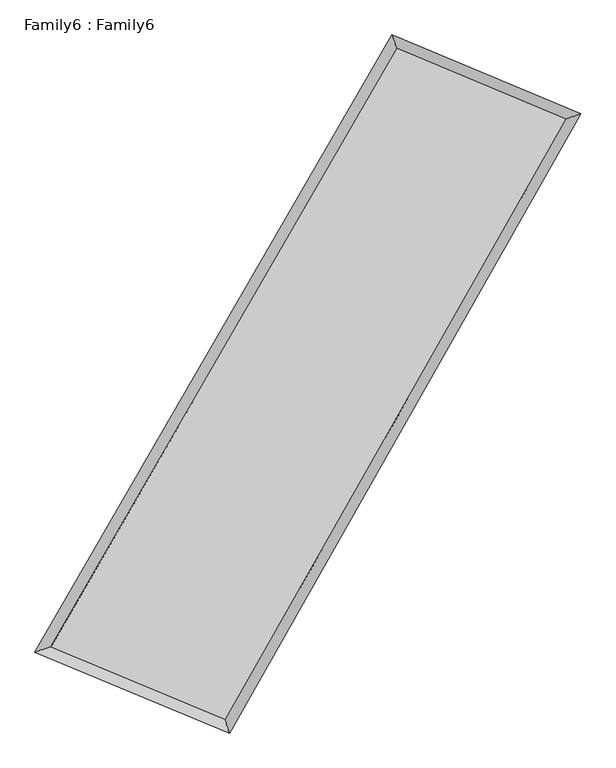
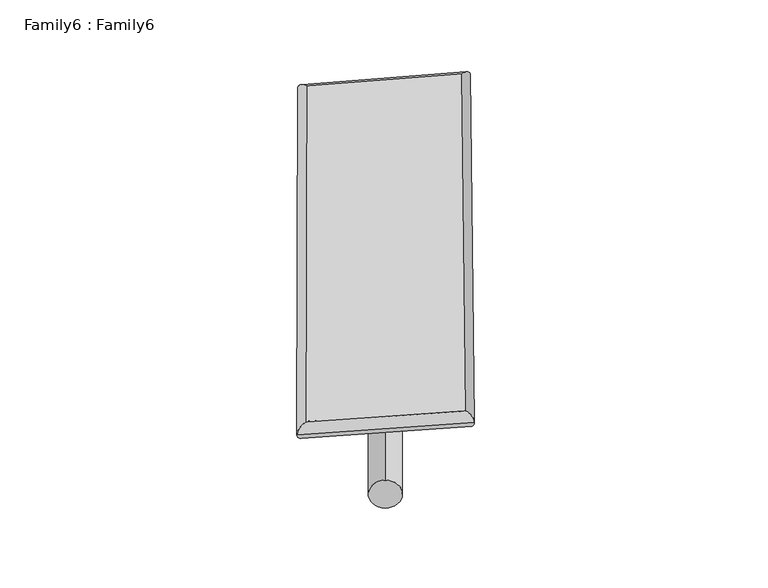
"""IFC4 building model written with IfcOpenShell, lengths in millimetres: plate geometry, Family6 : Family6."""

import ifcopenshell
import ifcopenshell.guid

model = None  # the IFC model being written
_history = None  # IfcOwnerHistory: only IFC2X3 demands one
_inside = {}  # id of a spatial element -> (the spatial element, [elements in it])
_under = {}  # id of a project, library or spatial element -> (it, [spatial elements below it])
_declared = {}  # id of a project -> (the project, [libraries it declares])
_typed = {}  # id of a type object -> (the type object, [elements of that type])
_made_of = {}  # id of a material, layer set ... -> (it, [elements and type objects made of it])


def new_model(schema):
    """Start an empty IFC model of exactly this schema.

    Asked for "IFC4X3", IfcOpenShell would pick the latest addendum, in which some entities
    have other attributes; the version numbers below select the first issue.
    IFC2X3 requires an IfcOwnerHistory on every rooted entity: one is made here for all.
    """
    global model, _history
    if schema == "IFC4X3":
        model = ifcopenshell.file(schema_version=(4, 3, 0, 0))
    else:
        model = ifcopenshell.file(schema=schema)
    _inside.clear()
    _under.clear()
    _declared.clear()
    _typed.clear()
    _made_of.clear()
    _history = None
    if model.schema == "IFC2X3":
        org = make("IfcOrganization", Name="unknown")
        user = make(
            "IfcPersonAndOrganization",
            ThePerson=make("IfcPerson", FamilyName="unknown"),
            TheOrganization=org,
        )
        app = make(
            "IfcApplication",
            ApplicationDeveloper=org,
            Version="unknown",
            ApplicationFullName="unknown",
            ApplicationIdentifier="unknown",
        )
        _history = make(
            "IfcOwnerHistory",
            OwningUser=user,
            OwningApplication=app,
            ChangeAction="ADDED",
            CreationDate=0,
        )
    return model


def make(cls, **values):
    """One entity of the class cls with the attributes given. An attribute that is None is left unset."""
    return model.create_entity(
        cls, **{name: value for name, value in values.items() if value is not None}
    )


def rooted(cls, **values):
    """An entity with a GlobalId (a new one), such as an element, a storey or a relation."""
    return make(cls, GlobalId=ifcopenshell.guid.new(), OwnerHistory=_history, **values)


def si_unit(unit_type, name, prefix=None):
    """IfcSIUnit, for example si_unit("LENGTHUNIT", "METRE", prefix="MILLI")."""
    return make("IfcSIUnit", UnitType=unit_type, Prefix=prefix, Name=name)


def assignment(units):
    """IfcUnitAssignment: the units of a project."""
    return None if units is None else make("IfcUnitAssignment", Units=units)


def point(xyz):
    """IfcCartesianPoint."""
    return None if xyz is None else make("IfcCartesianPoint", Coordinates=xyz)


def direction(xyz):
    """IfcDirection."""
    return None if xyz is None else make("IfcDirection", DirectionRatios=xyz)


def frame(location, z_axis=None, x_axis=None):
    """IfcAxis2Placement3D, a coordinate frame: its origin and axes. An axis left out is left unset."""
    return make(
        "IfcAxis2Placement3D",
        Location=point(location),
        Axis=direction(z_axis),
        RefDirection=direction(x_axis),
    )


def frame_2d(location, x_axis=None):
    """IfcAxis2Placement2D, a coordinate frame in the plane: its origin and x axis."""
    return make(
        "IfcAxis2Placement2D", Location=point(location), RefDirection=direction(x_axis)
    )


def origin():
    """The frame at (0, 0, 0) with its axes left unset."""
    return frame((0.0, 0.0, 0.0))


def origin_2d():
    """The frame at (0, 0) in the plane with its x axis left unset."""
    return frame_2d((0.0, 0.0))


def place(relative_to, where):
    """IfcLocalPlacement: puts the frame where relative to a parent placement (None: the world)."""
    return make(
        "IfcLocalPlacement", PlacementRelTo=relative_to, RelativePlacement=where
    )


def context(
    kind, dimensions, precision=None, world=None, true_north=None, identifier=None
):
    """IfcGeometricRepresentationContext, for example the 3D "Model" context."""
    return make(
        "IfcGeometricRepresentationContext",
        ContextIdentifier=identifier,
        ContextType=kind,
        CoordinateSpaceDimension=dimensions,
        Precision=precision,
        WorldCoordinateSystem=world,
        TrueNorth=true_north,
    )


def project(units=None, contexts=None):
    """IfcProject with its units and contexts."""
    return rooted(
        "IfcProject",
        Name="project",
        RepresentationContexts=contexts,
        UnitsInContext=assignment(units),
    )


def spatial(cls, under=None, at=None, **own):
    """A site, building, storey or space (cls), placed at a placement, below another one or the project."""
    s = rooted(cls, ObjectPlacement=at, **own)
    if under is not None:
        _under.setdefault(under.id(), (under, []))[1].append(s)
    return s


def circle_curve(where, radius):
    """IfcCircle in the frame where."""
    return make("IfcCircle", Position=where, Radius=radius)


def ellipse_curve(where, semi_axis1, semi_axis2):
    """IfcEllipse in the frame where."""
    return make(
        "IfcEllipse", Position=where, SemiAxis1=semi_axis1, SemiAxis2=semi_axis2
    )


def trimmed(basis, trim1, trim2, sense, master):
    """IfcTrimmedCurve: the piece of a basis curve between two trims."""
    return make(
        "IfcTrimmedCurve",
        BasisCurve=basis,
        Trim1=trim1,
        Trim2=trim2,
        SenseAgreement=sense,
        MasterRepresentation=master,
    )


def segment(curve, same_sense, transition):
    """IfcCompositeCurveSegment."""
    return make(
        "IfcCompositeCurveSegment",
        Transition=transition,
        SameSense=same_sense,
        ParentCurve=curve,
    )


def composite_curve(segments, self_intersect=None):
    """IfcCompositeCurve: segments joined end to end."""
    return make("IfcCompositeCurve", Segments=segments, SelfIntersect=self_intersect)


def outline(outer, holes=None, kind="AREA"):
    """IfcArbitraryClosedProfileDef: a profile drawn as a closed curve; with holes, ...WithVoids."""
    if holes is None:
        return make("IfcArbitraryClosedProfileDef", ProfileType=kind, OuterCurve=outer)
    return make(
        "IfcArbitraryProfileDefWithVoids",
        ProfileType=kind,
        OuterCurve=outer,
        InnerCurves=holes,
    )


def extrude(swept, where, along, depth):
    """IfcExtrudedAreaSolid: the profile swept, set in the frame where, extruded along a direction by depth."""
    return make(
        "IfcExtrudedAreaSolid",
        SweptArea=swept,
        Position=where,
        ExtrudedDirection=direction(along),
        Depth=depth,
    )


def shape(context_of_items, identifier, shape_type, items):
    """IfcShapeRepresentation: the items that make up one representation, for example the "Body"."""
    return make(
        "IfcShapeRepresentation",
        ContextOfItems=context_of_items,
        RepresentationIdentifier=identifier,
        RepresentationType=shape_type,
        Items=items,
    )


def source(mapping_origin, context_of_items, identifier, shape_type, items):
    """IfcRepresentationMap: a shape defined once, which mapped items show again and again."""
    return make(
        "IfcRepresentationMap",
        MappingOrigin=mapping_origin,
        MappedRepresentation=shape(context_of_items, identifier, shape_type, items),
    )


def transform(
    local_origin,
    x_axis=None,
    y_axis=None,
    z_axis=None,
    scale=None,
    scale2=None,
    scale3=None,
    uniform=True,
):
    """IfcCartesianTransformationOperator3D, or its non-uniform kind. x_axis, y_axis, z_axis: its Axis1, 2, 3."""
    if uniform:
        return make(
            "IfcCartesianTransformationOperator3D",
            Axis1=direction(x_axis),
            Axis2=direction(y_axis),
            LocalOrigin=point(local_origin),
            Scale=scale,
            Axis3=direction(z_axis),
        )
    return make(
        "IfcCartesianTransformationOperator3DnonUniform",
        Axis1=direction(x_axis),
        Axis2=direction(y_axis),
        LocalOrigin=point(local_origin),
        Scale=scale,
        Axis3=direction(z_axis),
        Scale2=scale2,
        Scale3=scale3,
    )


def mapped(mapping_source, mapping_target):
    """IfcMappedItem: shows the shape of a source again, moved by a transform."""
    return make(
        "IfcMappedItem", MappingSource=mapping_source, MappingTarget=mapping_target
    )


def made_of(thing, what):
    """Note that an element or type object is made of a material, layer set ...; save() writes the relation."""
    if what is not None:
        _made_of.setdefault(what.id(), (what, []))[1].append(thing)
    return thing


def element(
    cls,
    number,
    at=None,
    inside=None,
    cuts=None,
    type_object=None,
    material=None,
    context=None,
    identifier="Body",
    shape_type=None,
    held_by="IfcProductDefinitionShape",
    body=None,
    shapes=None,
    **own,
):
    """One element of the class cls, such as IfcWall. Its Tag is "e" and its number.

    at: its placement. inside: the storey or other place that contains it. cuts: it is an
    opening in that element (IfcRelVoidsElement). A single representation is given by context,
    identifier, shape_type and body (its items); several are given by shapes. held_by: the class
    of the entity that holds the representations. save() writes the other relations.
    """
    e = rooted(cls, Tag="e%d" % number, ObjectPlacement=at, **own)
    if body is not None:
        shapes = [shape(context, identifier, shape_type, body)]
    if shapes is not None:
        e.Representation = make(held_by, Representations=shapes)
    if inside is not None:
        _inside.setdefault(inside.id(), (inside, []))[1].append(e)
    if cuts is not None:
        rooted(
            "IfcRelVoidsElement", RelatingBuildingElement=cuts, RelatedOpeningElement=e
        )
    if type_object is not None:
        _typed.setdefault(type_object.id(), (type_object, []))[1].append(e)
    return made_of(e, material)


def aggregate(whole, parts):
    """IfcRelAggregates: a whole, such as a stair, and the parts it consists of."""
    return rooted("IfcRelAggregates", RelatingObject=whole, RelatedObjects=parts)


def save(model, path):
    """Write the relations noted so far, then the file.

    IfcRelAggregates (storeys below a building ...), IfcRelContainedInSpatialStructure (elements
    in a storey), IfcRelDefinesByType, IfcRelAssociatesMaterial and IfcRelDeclares: one each for
    every whole, place, type object, material and project.
    """
    for whole, parts in _under.values():
        aggregate(whole, parts)
    for where, things in _inside.values():
        rooted(
            "IfcRelContainedInSpatialStructure",
            RelatedElements=things,
            RelatingStructure=where,
        )
    for kind, things in _typed.values():
        rooted("IfcRelDefinesByType", RelatedObjects=things, RelatingType=kind)
    for what, things in _made_of.values():
        rooted("IfcRelAssociatesMaterial", RelatedObjects=things, RelatingMaterial=what)
    for by, libraries in _declared.values():
        rooted("IfcRelDeclares", RelatingContext=by, RelatedDefinitions=libraries)
    model.write(path)


def plane_surface(at):
    """IfcPlane: the flat surface through the origin of the frame at, square to its z axis."""
    return make("IfcPlane", Position=at)


def cylinder_surface(at, radius):
    """IfcCylindricalSurface: all points at the distance radius from the z axis of the frame at."""
    return make("IfcCylindricalSurface", Position=at, Radius=radius)


def spline_surface(u_degree, v_degree, points, u_multiplicities, v_multiplicities, u_knots, v_knots, weights=None):
    """IfcBSplineSurfaceWithKnots; with weights, IfcRationalBSplineSurfaceWithKnots. points: one row for each step in u."""
    own = dict(
        UDegree=u_degree,
        VDegree=v_degree,
        ControlPointsList=[[point(p) for p in row] for row in points],
        SurfaceForm="UNSPECIFIED",
        UClosed=False,
        VClosed=False,
        SelfIntersect=False,
        UMultiplicities=u_multiplicities,
        VMultiplicities=v_multiplicities,
        UKnots=u_knots,
        VKnots=v_knots,
        KnotSpec="UNSPECIFIED",
    )
    if weights is None:
        return make("IfcBSplineSurfaceWithKnots", **own)
    return make("IfcRationalBSplineSurfaceWithKnots", WeightsData=weights, **own)


def advanced_brep(points, edges, surfaces, faces):
    """IfcAdvancedBrep: a solid bounded by faces that lie on surfaces and meet in shared edges.

    An edge is (start, end): straight between two places in points (the first is 0);
    or (start, end, curve); or (start, end, curve, False) where it runs against its curve.
    A face is (place in surfaces, loops), or (place, loops, False) where it looks against
    its surface's normal. A loop lists edges by number (the first is 1), with a minus sign
    where the edge is run from its end to its start. The first loop is the outer one.
    """
    corners = [point(p) for p in points]
    vertices = [make("IfcVertexPoint", VertexGeometry=c) for c in corners]
    made = []
    for start, end, *more in edges:
        made.append(
            make(
                "IfcEdgeCurve",
                EdgeStart=vertices[start],
                EdgeEnd=vertices[end],
                EdgeGeometry=more[0] if more else make("IfcPolyline", Points=[corners[start], corners[end]]),
                SameSense=more[1] if len(more) > 1 else True,
            )
        )
    hull = []
    for where, loops, *sense in faces:
        bounds = []
        for j, loop in enumerate(loops):
            ring = [make("IfcOrientedEdge", EdgeElement=made[abs(k) - 1], Orientation=k > 0) for k in loop]
            bounds.append(
                make(
                    "IfcFaceOuterBound" if j == 0 else "IfcFaceBound",
                    Bound=make("IfcEdgeLoop", EdgeList=ring),
                    Orientation=True,
                )
            )
        hull.append(make("IfcAdvancedFace", Bounds=bounds, FaceSurface=surfaces[where], SameSense=sense[0] if sense else True))
    return make("IfcAdvancedBrep", Outer=make("IfcClosedShell", CfsFaces=hull))


def family6_family6_16601273(model_context):
    return source(origin(), model_context, "Body", "SolidModel", [
        extrude(outline(composite_curve([segment(trimmed(circle_curve(origin_2d(), 76.2), [point((-75.4341514, -10.7763074))], [point((75.4341514, 10.7763074))], False, "CARTESIAN"), True, "CONTINUOUS"), segment(trimmed(circle_curve(origin_2d(), 76.2), [point((75.4341514, 10.7763074))], [point((-75.4341514, -10.7763074))], False, "CARTESIAN"), True, "CONTINUOUS")], self_intersect=False)), frame((9144.0, 9144.0, 0.0), z_axis=(0.6725154800045557, 0.6915821463938863, 0.26350913445925783), x_axis=(-0.6825459012953008, 0.7172280173833983, -0.14041034044993014)), (0.0, 0.0, 1.0), 5809.3467022),
        extrude(outline(composite_curve([segment(trimmed(circle_curve(origin_2d(), 76.2), [point((-53.8815368, 53.8815367))], [point((53.8815368, -53.8815367))], False, "CARTESIAN"), True, "CONTINUOUS"), segment(trimmed(circle_curve(origin_2d(), 76.2), [point((53.8815368, -53.8815367))], [point((-53.8815368, 53.8815367))], False, "CARTESIAN"), True, "CONTINUOUS")], self_intersect=False)), frame((9144.0, 9144.0, 0.0), z_axis=(-0.6777236977568803, -0.6868280924789675, 0.26259809763294895), x_axis=(0.6344860517964723, -0.3657318797120619, 0.6809314519377162)), (0.0, 0.0, 1.0), 5829.526891),
        extrude(outline(composite_curve([segment(trimmed(circle_curve(origin_2d(), 76.2), [point((-53.8815368, -53.8815367))], [point((53.8815368, 53.8815367))], False, "CARTESIAN"), True, "CONTINUOUS"), segment(trimmed(circle_curve(origin_2d(), 76.2), [point((53.8815368, 53.8815367))], [point((-53.8815368, -53.8815367))], False, "CARTESIAN"), True, "CONTINUOUS")], self_intersect=False)), frame((9144.0, 9144.0, 0.0), z_axis=(0.2413510553508619, 0.9302348205603893, 0.27642873710597765), x_axis=(-0.8463073610480398, 0.3411504720850169, -0.40912126079204547)), (0.0, 0.0, 1.0), 5481.9210989),
        extrude(outline(composite_curve([segment(trimmed(circle_curve(origin_2d(), 76.2), [point((-75.4341515, 10.7763074))], [point((75.4341515, -10.7763074))], False, "CARTESIAN"), True, "CONTINUOUS"), segment(trimmed(circle_curve(origin_2d(), 76.2), [point((75.4341515, -10.7763074))], [point((-75.4341515, 10.7763074))], False, "CARTESIAN"), True, "CONTINUOUS")], self_intersect=False)), frame((9144.0, 9144.0, 0.0), z_axis=(-0.23345261477327706, -0.9322938918132141, 0.2762751815550778), x_axis=(0.8898046667808382, -0.09025228149441958, 0.44732782236307816)), (0.0, 0.0, 1.0), 5486.2423118),
        advanced_brep(
        [(4974.2293491, 5066.1685128, 1529.7766418), (4974.221913, 5066.1587684, 1532.1831775), (5412.1536095, 5214.065818, 1531.8687015), (10531.7766591, 14051.163095, 1516.8588006), (10402.3582261, 14435.7846844, 1513.862252), (5412.1610455, 5214.0755624, 1529.4621658), (12833.4621867, 13087.4536371, 1530.6266413), (13268.2889852, 13235.8272858, 1531.0052012), (7797.2961429, 4221.7034776, 1515.9643504), (7929.1486311, 3836.7161297, 1515.4608311)],
        [
            (0, 1, ellipse_curve(frame((5193.1914793, 5140.1171654, 1530.8226717), z_axis=(-0.31997963095382725, 0.9474201430480418, 0.002847511454046874), x_axis=(-0.9474105369058501, -0.31998976813091035, 0.004452286075162235)), 231.1266087, 152.4)),
            (1, 2, ellipse_curve(frame((5193.1914793, 5140.1171654, 1530.8226717), z_axis=(-0.31997963095382725, 0.9474201430480418, 0.002847511454046874), x_axis=(-0.9474105369058501, -0.31998976813091035, 0.004452286075162235)), 231.1266087, 152.4)),
            (2, 3),
            (3, 4, ellipse_curve(frame((10467.0674426, 14243.4738897, 1515.3605263), z_axis=(-0.9477742897431054, -0.3189304539475806, -0.0026946700618311107), x_axis=(0.3189136326835162, -0.9477690095002571, 0.005291457219413167)), 202.9115782, 152.4)),
            (4, 0),
            (2, 5, ellipse_curve(frame((5193.1914793, 5140.1171654, 1530.8226717), z_axis=(-0.31997963095382725, 0.9474201430480418, 0.002847511454046874), x_axis=(-0.9474105369058501, -0.31998976813091035, 0.004452286075162235)), 231.1266087, 152.4)),
            (5, 0, ellipse_curve(frame((5193.1914793, 5140.1171654, 1530.8226717), z_axis=(-0.31997963095382725, 0.9474201430480418, 0.002847511454046874), x_axis=(-0.9474105369058501, -0.31998976813091035, 0.004452286075162235)), 231.1266087, 152.4)),
            (4, 3, ellipse_curve(frame((10467.0674426, 14243.4738897, 1515.3605263), z_axis=(-0.9477742897431054, -0.3189304539475806, -0.0026946700618311107), x_axis=(0.3189136326835162, -0.9477690095002571, 0.005291457219413167)), 202.9115782, 152.4)),
            (3, 6),
            (6, 7, ellipse_curve(frame((13050.875586, 13161.6404615, 1530.8159213), z_axis=(-0.32293759855054527, 0.9464152651494462, -0.003074627540068432), x_axis=(-0.946404901585144, -0.32294916140085317, -0.0046477312852070685)), 229.7243752, 152.4)),
            (7, 4),
            (7, 6, ellipse_curve(frame((13050.875586, 13161.6404615, 1530.8159213), z_axis=(-0.32293759855054527, 0.9464152651494462, -0.003074627540068432), x_axis=(-0.946404901585144, -0.32294916140085317, -0.0046477312852070685)), 229.7243752, 152.4)),
            (6, 8),
            (8, 9, ellipse_curve(frame((7863.222387, 4029.2098037, 1515.7125908), z_axis=(0.946049796346973, 0.32401140767689113, -0.002527949186657936), x_axis=(-0.3239963222442843, 0.9460449788222246, 0.005028043101895986)), 203.4714061, 152.4)),
            (9, 7),
            (9, 8, ellipse_curve(frame((7863.222387, 4029.2098037, 1515.7125908), z_axis=(0.946049796346973, 0.32401140767689113, -0.002527949186657936), x_axis=(-0.3239963222442843, 0.9460449788222246, 0.005028043101895986)), 203.4714061, 152.4)),
            (8, 5),
            (1, 9),
        ],
        [
            cylinder_surface(frame((5193.1914793, 5140.1171654, 1530.8226717), z_axis=(-0.5012856933622031, -0.8652805866581812, 0.0014696880107694394), x_axis=(-0.8652562639225718, 0.5012570983626796, -0.008539267168768275)), 152.4),
            cylinder_surface(frame((10467.0674426, 14243.4738897, 1515.3605263), z_axis=(-0.9223965134776237, 0.386204906490078, -0.005517438473986556), x_axis=(0.3862313445831622, 0.9223884957955981, -0.004981092793403983)), 152.4),
            cylinder_surface(frame((13050.875586, 13161.6404615, 1530.8159213), z_axis=(0.4939205192613855, 0.8695058670353015, 0.0014379999137556954), x_axis=(0.8695069731263753, -0.49392051926138547, -0.0003799173228733289)), 152.4),
            cylinder_surface(frame((7863.222387, 4029.2098037, 1515.7125908), z_axis=(0.9232613026103721, -0.38413704309830077, -0.005224865729678541), x_axis=(-0.384126265239297, -0.9232757940490842, 0.002969928676281193)), 152.4),
        ],
        [
            (0, [[1, 2, 3, 4, 5]]),
            (0, [[6, 7, -5, 8, -3]]),
            (1, [[-4, 9, 10, 11]]),
            (1, [[-8, -11, 12, -9]]),
            (2, [[-10, 13, 14, 15]]),
            (2, [[-12, -15, 16, -13]]),
            (3, [[-14, 17, -6, -2, 18]]),
            (3, [[-16, -18, -1, -7, -17]]),
        ],
    ),
        extrude(outline(composite_curve([segment(trimmed(circle_curve(origin_2d(), 304.8), [point((0.0, -304.8))], [point((0.0, 304.8))], False, "CARTESIAN"), True, "CONTINUOUS"), segment(trimmed(circle_curve(origin_2d(), 304.8), [point((0.0, 304.8))], [point((0.0, -304.8))], False, "CARTESIAN"), True, "CONTINUOUS")], self_intersect=False)), frame((6512.2275183, 4567.0238843, -0.0027509), z_axis=(0.4984727206684911, 0.8669053851194379, 5.210301499384987e-07), x_axis=(-0.8669053851195834, 0.4984727206684911, 1.3911755703331444e-07)), (0.0, 0.0, 1.0), 10559.3440628),
        advanced_brep(
        [(5193.1914793, 5140.1171654, 1530.8226717), (7863.222387, 4029.2098037, 1515.7125908), (7863.2266449, 4029.2104378, 1668.1125907), (5193.1957372, 5140.1177995, 1683.2226716), (13050.875586, 13161.6404615, 1530.8159213), (13050.8798438, 13161.6410956, 1683.2159212), (10467.0674426, 14243.4738897, 1515.3605263), (10467.0717005, 14243.4745239, 1667.7605262)],
        [
            (0, 1),
            (1, 2),
            (2, 3),
            (3, 0),
            (1, 4),
            (4, 5),
            (5, 2),
            (4, 6),
            (6, 7),
            (7, 5),
            (6, 0),
            (3, 7),
        ],
        [
            plane_surface(frame((6528.2069331, 4584.6634845, 1523.2676312), z_axis=(-0.38414221617930305, -0.923273934180125, 1.4574221371102276e-05), x_axis=(0.9232613026103722, -0.38413704309830066, -0.005224865729678541))),
            plane_surface(frame((10457.0489865, 8595.4251326, 1523.264256), z_axis=(0.8695067816175017, -0.4939210020100892, -2.2237890646724595e-05), x_axis=(0.4939205192613853, 0.8695058670353016, 0.0014379999137556954))),
            plane_surface(frame((11758.9715143, 13702.5571756, 1523.0882238), z_axis=(0.3862108594826476, 0.9224105223834365, -1.4628424399560237e-05), x_axis=(-0.9223965134776237, 0.38620490649007794, -0.005517438473986555))),
            plane_surface(frame((7830.1294609, 9691.7955276, 1523.091599), z_axis=(-0.865281504670322, 0.5012862627157569, 2.2089194452252895e-05), x_axis=(-0.5012856933622034, -0.8652805866581811, 0.00146968801076944))),
            spline_surface(1, 1, [[(7863.2266449, 4029.2104378, 1668.1125907), (5193.1957372, 5140.1177995, 1683.2226716)], [(13050.8798438, 13161.6410956, 1683.2159212), (10467.0717005, 14243.4745239, 1667.7605262)]], [2, 2], [2, 2], [0.0, 1.0], [0.0, 1.0]),
            spline_surface(1, 1, [[(10467.0674426, 14243.4738897, 1515.3605263), (5193.1914793, 5140.1171654, 1530.8226717)], [(13050.875586, 13161.6404615, 1530.8159213), (7863.222387, 4029.2098037, 1515.7125908)]], [2, 2], [2, 2], [0.0, 1.0], [0.0, 1.0]),
        ],
        [
            (0, [[1, 2, 3, 4]]),
            (1, [[5, 6, 7, -2]]),
            (2, [[8, 9, 10, -6]]),
            (3, [[11, -4, 12, -9]]),
            (4, [[-3, -7, -10, -12]]),
            (5, [[-11, -8, -5, -1]]),
        ],
    ),
    ])


if __name__ == "__main__":
    model = new_model("IFC4")
    model_context = context("Model", 3, world=origin())
    ifc_project = project(units=[si_unit("LENGTHUNIT", "METRE", prefix="MILLI")], contexts=[model_context])
    site = spatial("IfcSite", under=ifc_project)
    building = spatial("IfcBuilding", under=site)
    placement = place(None, origin())
    family6_family6_shape = family6_family6_16601273(model_context)
    element("IfcPlate", 1, ObjectType="Family6 : Family6", at=placement, inside=building, context=model_context, shape_type="MappedRepresentation", body=[
        mapped(family6_family6_shape, transform((0.0, 0.0, 0.0), x_axis=(1.0, 0.0, 0.0), y_axis=(0.0, 1.0, 0.0), z_axis=(0.0, 0.0, 1.0))),
    ])
    save(model, "model.ifc")
